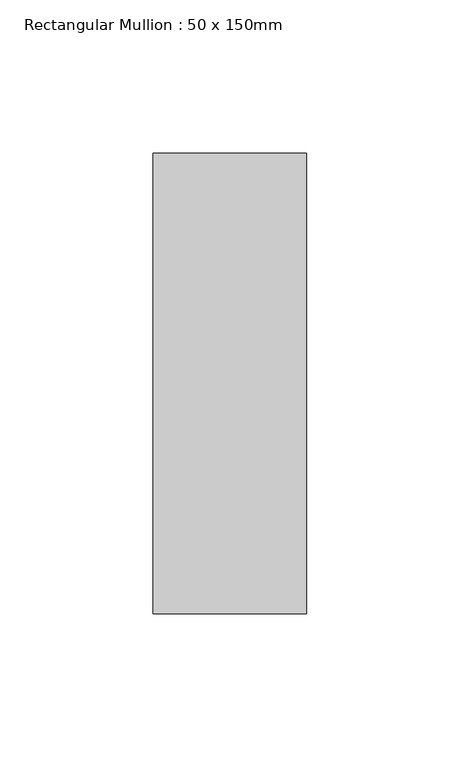
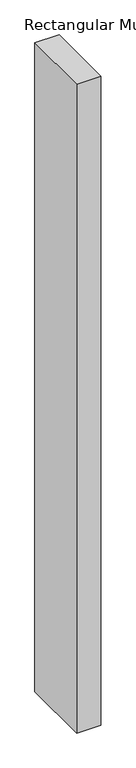
"""IFC4 building model written with IfcOpenShell, lengths in millimetres: member geometry, Rectangular Mullion : 50 x 150mm."""

from ifc_helpers import new_model, si_unit, frame, origin, place, context, project, spatial, polyline, outline, extrude, source, transform, mapped, element, save


def rectangular_mullion_50_x_150mm_088869c9(model_context):
    return source(origin(), model_context, "Body", "SweptSolid", [
        extrude(outline(polyline([(25.0, 75.0), (25.0, -75.0), (-25.0, -75.0), (-25.0, 75.0), (25.0, 75.0)])), frame((0.0, 0.0, -1423.3381193), z_axis=(0.0, 0.0, 1.0), x_axis=(1.0, 0.0, 0.0)), (0.0, 0.0, 1.0), 1423.3381193),
    ])


if __name__ == "__main__":
    model = new_model("IFC4")
    model_context = context("Model", 3, world=origin())
    ifc_project = project(units=[si_unit("LENGTHUNIT", "METRE", prefix="MILLI")], contexts=[model_context])
    site = spatial("IfcSite", under=ifc_project)
    building = spatial("IfcBuilding", under=site)
    placement = place(None, origin())
    rectangular_mullion_50_x_150mm_shape = rectangular_mullion_50_x_150mm_088869c9(model_context)
    element("IfcMember", 1, ObjectType="Rectangular Mullion : 50 x 150mm", at=placement, inside=building, context=model_context, shape_type="MappedRepresentation", body=[
        mapped(rectangular_mullion_50_x_150mm_shape, transform((0.0, 0.0, 0.0), x_axis=(1.0, 0.0, 0.0), y_axis=(0.0, 1.0, 0.0), z_axis=(0.0, 0.0, 1.0))),
    ])
    save(model, "model.ifc")
